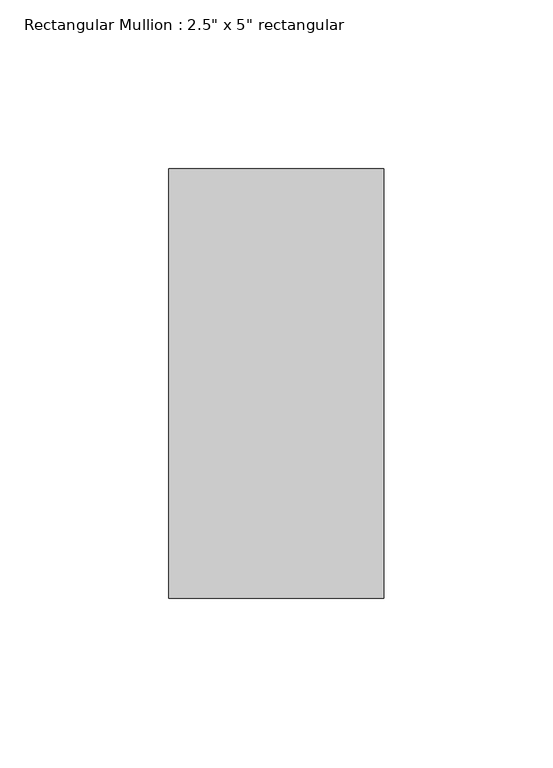
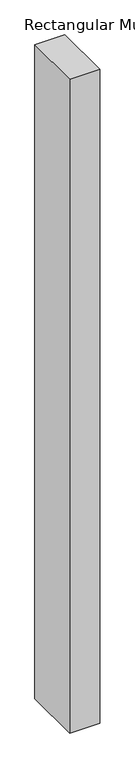
"""IFC4 building model written with IfcOpenShell, lengths in millimetres: member geometry."""

from ifc_helpers import new_model, si_unit, frame, origin, place, context, project, spatial, polyline, outline, extrude, source, transform, mapped, element, save


def member_9faf9a02(model_context):
    return source(origin(), model_context, "Body", "SweptSolid", [
        extrude(outline(polyline([(0.0, 63.5), (0.0, -63.5), (-63.5, -63.5), (-63.5, 63.5), (0.0, 63.5)])), frame((0.0, 0.0, -1460.4999999), z_axis=(0.0, 0.0, 1.0), x_axis=(1.0, 0.0, 0.0)), (0.0, 0.0, 1.0), 1460.4999999),
    ])


if __name__ == "__main__":
    model = new_model("IFC4")
    model_context = context("Model", 3, world=origin())
    ifc_project = project(units=[si_unit("LENGTHUNIT", "METRE", prefix="MILLI")], contexts=[model_context])
    site = spatial("IfcSite", under=ifc_project)
    building = spatial("IfcBuilding", under=site)
    placement = place(None, origin())
    member_shape = member_9faf9a02(model_context)
    element("IfcMember", 1, ObjectType="Rectangular Mullion : 2.5\" x 5\" rectangular", at=placement, inside=building, context=model_context, shape_type="MappedRepresentation", body=[
        mapped(member_shape, transform((0.0, 0.0, 0.0), x_axis=(1.0, 0.0, 0.0), y_axis=(0.0, 1.0, 0.0), z_axis=(0.0, 0.0, 1.0))),
    ])
    save(model, "model.ifc")
